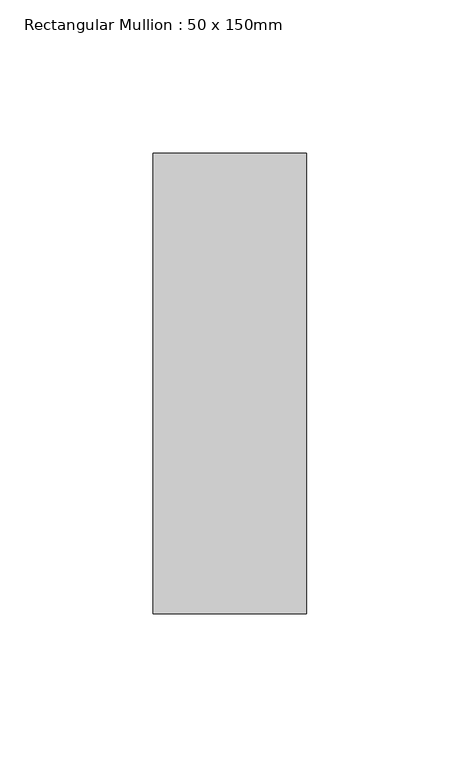
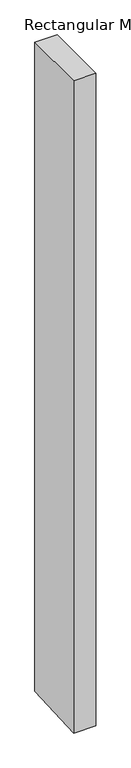
"""IFC4 building model written with IfcOpenShell, lengths in millimetres: member geometry, Rectangular Mullion : 50 x 150mm."""

from ifc_helpers import new_model, si_unit, frame, origin, place, context, project, spatial, polyline, outline, extrude, source, transform, mapped, element, save


def rectangular_mullion_50_x_150mm_892a7ebf(model_context):
    return source(origin(), model_context, "Body", "SweptSolid", [
        extrude(outline(polyline([(-75.0, 0.0), (75.0, 0.0), (75.0, -1534.5432499), (-75.0, -1542.4572178), (-75.0, 0.0)])), frame((-50.0, 0.0, 0.0), z_axis=(1.0, 0.0, 0.0), x_axis=(0.0, 1.0, 0.0)), (0.0, 0.0, 1.0), 50.0),
    ])


if __name__ == "__main__":
    model = new_model("IFC4")
    model_context = context("Model", 3, world=origin())
    ifc_project = project(units=[si_unit("LENGTHUNIT", "METRE", prefix="MILLI")], contexts=[model_context])
    site = spatial("IfcSite", under=ifc_project)
    building = spatial("IfcBuilding", under=site)
    placement = place(None, origin())
    rectangular_mullion_50_x_150mm_shape = rectangular_mullion_50_x_150mm_892a7ebf(model_context)
    element("IfcMember", 1, ObjectType="Rectangular Mullion : 50 x 150mm", at=placement, inside=building, context=model_context, shape_type="MappedRepresentation", body=[
        mapped(rectangular_mullion_50_x_150mm_shape, transform((0.0, 0.0, 0.0), x_axis=(1.0, 0.0, 0.0), y_axis=(0.0, 1.0, 0.0), z_axis=(0.0, 0.0, 1.0))),
    ])
    save(model, "model.ifc")
